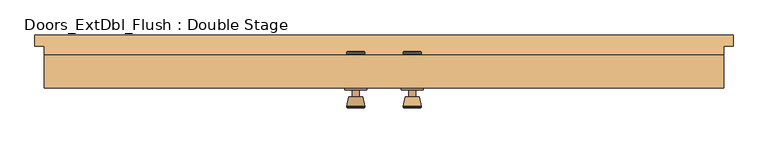
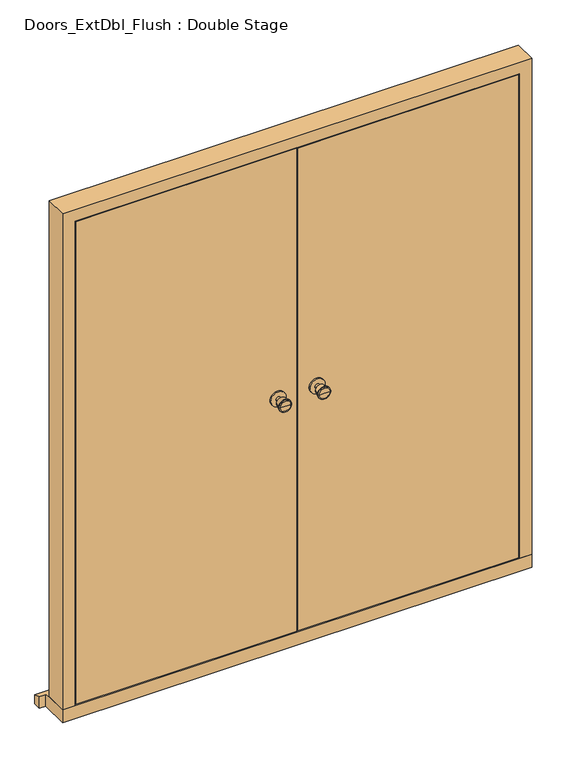
"""IFC4 building model written with IfcOpenShell, lengths in millimetres: door geometry, Doors_ExtDbl_Flush : Double Stage."""

from ifc_helpers import new_model, si_unit, point, frame, frame_2d, origin, place, context, project, spatial, polyline, circle_curve, trimmed, segment, composite_curve, outline, extrude, faceted_brep, source, transform, mapped, element, save
from ifc_brep_helpers import plane_surface, cylinder_surface, revolved_surface, advanced_brep


def doors_extdbl_flush_double_stage_f4ae02fb(model_context):
    return source(origin(), model_context, "Body", "SolidModel", [
        advanced_brep(
        [(-76.5, 46.8, 1050.0), (-66.5, 46.8, 1050.0), (-86.5, 46.8, 1050.0), (-96.9758676, -2.2, 1050.0), (-56.0241324, -2.2, 1050.0), (-76.5, -2.2, 1050.0), (-101.5, -0.3721319, 1050.0), (-51.5, -0.3721319, 1050.0), (-101.5, 3.0915463, 1050.0), (-51.5, 3.0915463, 1050.0), (-95.136236, 27.8, 1050.0), (-57.863764, 27.8, 1050.0), (-86.5, 27.8, 1050.0), (-66.5, 27.8, 1050.0)],
        [
            (0, 1),
            (1, 2, circle_curve(frame((-76.5, 46.8, 1050.0), z_axis=(0.0, 1.0, 0.0), x_axis=(1.0, 0.0, 0.0)), 10.0)),
            (2, 0),
            (2, 1, circle_curve(frame((-76.5, 46.8, 1050.0), z_axis=(0.0, 1.0, 0.0), x_axis=(1.0, 0.0, 0.0)), 10.0)),
            (3, 4, circle_curve(frame((-76.5, -2.2, 1050.0), z_axis=(0.0, -1.0, 0.0), x_axis=(1.0, 0.0, 0.0)), 20.4758676)),
            (4, 5),
            (5, 3),
            (4, 3, circle_curve(frame((-76.5, -2.2, 1050.0), z_axis=(0.0, -1.0, 0.0), x_axis=(1.0, 0.0, 0.0)), 20.4758676)),
            (6, 7, circle_curve(frame((-76.5, -0.3721319, 1050.0), z_axis=(0.0, -1.0, 0.0), x_axis=(1.0, 0.0, 0.0)), 25.0)),
            (7, 4),
            (3, 6),
            (7, 6, circle_curve(frame((-76.5, -0.3721319, 1050.0), z_axis=(0.0, -1.0, 0.0), x_axis=(1.0, 0.0, 0.0)), 25.0)),
            (8, 9, circle_curve(frame((-76.5, 3.0915463, 1050.0), z_axis=(0.0, -1.0, 0.0), x_axis=(1.0, 0.0, 0.0)), 25.0)),
            (9, 7),
            (6, 8),
            (9, 8, circle_curve(frame((-76.5, 3.0915463, 1050.0), z_axis=(0.0, -1.0, 0.0), x_axis=(1.0, 0.0, 0.0)), 25.0)),
            (10, 11, circle_curve(frame((-76.5, 27.8, 1050.0), z_axis=(0.0, -1.0, 0.0), x_axis=(1.0, 0.0, 0.0)), 18.636236)),
            (11, 9),
            (8, 10),
            (11, 10, circle_curve(frame((-76.5, 27.8, 1050.0), z_axis=(0.0, -1.0, 0.0), x_axis=(1.0, 0.0, 0.0)), 18.636236)),
            (12, 13, circle_curve(frame((-76.5, 27.8, 1050.0), z_axis=(0.0, -1.0, 0.0), x_axis=(1.0, 0.0, 0.0)), 10.0)),
            (13, 11),
            (10, 12),
            (13, 12, circle_curve(frame((-76.5, 27.8, 1050.0), z_axis=(0.0, -1.0, 0.0), x_axis=(1.0, 0.0, 0.0)), 10.0)),
            (1, 13),
            (12, 2),
        ],
        [
            plane_surface(frame((-76.5, 46.8, 1050.0), z_axis=(0.0, 1.0, 0.0), x_axis=(1.0, 0.0, 0.0))),
            plane_surface(frame((-76.5, -2.2, 1050.0), z_axis=(0.0, -1.0, 0.0), x_axis=(1.0, 0.0, 0.0))),
            revolved_surface(polyline([(-56.0241324, -2.2, 1050.0), (-51.5, -0.3721319, 1050.0)]), (-76.5, 46.8, 1050.0), (0.0, 1.0, 0.0)),
            cylinder_surface(frame((-76.5, 46.8, 1050.0), z_axis=(0.0, 1.0, 0.0), x_axis=(1.0, 0.0, 0.0)), 25.0),
            revolved_surface(polyline([(-51.5, 3.0915463, 1050.0), (-57.863764, 27.8, 1050.0)]), (-76.5, 46.8, 1050.0), (0.0, 1.0, 0.0)),
            plane_surface(frame((-76.5, 27.8, 1050.0), z_axis=(0.0, 1.0, 0.0), x_axis=(1.0, 0.0, 0.0))),
            cylinder_surface(frame((-76.5, 46.8, 1050.0), z_axis=(0.0, 1.0, 0.0), x_axis=(1.0, 0.0, 0.0)), 10.0),
        ],
        [
            (0, [[1, 2, 3]]),
            (0, [[-3, 4, -1]]),
            (1, [[5, 6, 7]]),
            (1, [[8, -7, -6]]),
            (2, [[9, 10, -5, 11]]),
            (2, [[12, -11, -8, -10]]),
            (3, [[13, 14, -9, 15]]),
            (3, [[16, -15, -12, -14]]),
            (4, [[17, 18, -13, 19]]),
            (4, [[20, -19, -16, -18]]),
            (5, [[21, 22, -17, 23]]),
            (5, [[24, -23, -20, -22]]),
            (6, [[-2, 25, -21, 26]]),
            (6, [[-4, -26, -24, -25]]),
        ],
    ),
        extrude(outline(composite_curve([segment(trimmed(circle_curve(frame_2d((1050.0, -76.5)), 30.0), [point((1050.0, -46.5))], [point((1050.0, -106.5))], False, "CARTESIAN"), True, "CONTINUOUS"), segment(trimmed(circle_curve(frame_2d((1050.0, -76.5)), 30.0), [point((1050.0, -106.5))], [point((1050.0, -46.5))], False, "CARTESIAN"), True, "CONTINUOUS")], self_intersect=False)), frame((0.0, 46.8, 0.0), z_axis=(0.0, 1.0, 0.0), x_axis=(0.0, 0.0, 1.0)), (0.0, 0.0, 1.0), 6.0),
        advanced_brep(
        [(-76.5, 102.8, 1050.0), (-86.5, 102.8, 1050.0), (-66.5, 102.8, 1050.0), (-96.9758676, 151.8, 1050.0), (-76.5, 151.8, 1050.0), (-56.0241324, 151.8, 1050.0), (-101.5, 149.9721319, 1050.0), (-51.5, 149.9721319, 1050.0), (-101.5, 146.5084537, 1050.0), (-51.5, 146.5084537, 1050.0), (-95.136236, 121.8, 1050.0), (-57.863764, 121.8, 1050.0), (-86.5, 121.8, 1050.0), (-66.5, 121.8, 1050.0)],
        [
            (0, 1),
            (1, 2, circle_curve(frame((-76.5, 102.8, 1050.0), z_axis=(0.0, -1.0, 0.0), x_axis=(1.0, 0.0, 0.0)), 10.0)),
            (2, 0),
            (2, 1, circle_curve(frame((-76.5, 102.8, 1050.0), z_axis=(0.0, -1.0, 0.0), x_axis=(1.0, 0.0, 0.0)), 10.0)),
            (3, 4),
            (4, 5),
            (5, 3, circle_curve(frame((-76.5, 151.8, 1050.0), z_axis=(0.0, 1.0, 0.0), x_axis=(1.0, 0.0, 0.0)), 20.4758676)),
            (3, 5, circle_curve(frame((-76.5, 151.8, 1050.0), z_axis=(0.0, 1.0, 0.0), x_axis=(1.0, 0.0, 0.0)), 20.4758676)),
            (6, 3),
            (5, 7),
            (7, 6, circle_curve(frame((-76.5, 149.9721319, 1050.0), z_axis=(0.0, 1.0, 0.0), x_axis=(1.0, 0.0, 0.0)), 25.0)),
            (6, 7, circle_curve(frame((-76.5, 149.9721319, 1050.0), z_axis=(0.0, 1.0, 0.0), x_axis=(1.0, 0.0, 0.0)), 25.0)),
            (8, 6),
            (7, 9),
            (9, 8, circle_curve(frame((-76.5, 146.5084537, 1050.0), z_axis=(0.0, 1.0, 0.0), x_axis=(1.0, 0.0, 0.0)), 25.0)),
            (8, 9, circle_curve(frame((-76.5, 146.5084537, 1050.0), z_axis=(0.0, 1.0, 0.0), x_axis=(1.0, 0.0, 0.0)), 25.0)),
            (10, 8),
            (9, 11),
            (11, 10, circle_curve(frame((-76.5, 121.8, 1050.0), z_axis=(0.0, 1.0, 0.0), x_axis=(1.0, 0.0, 0.0)), 18.636236)),
            (10, 11, circle_curve(frame((-76.5, 121.8, 1050.0), z_axis=(0.0, 1.0, 0.0), x_axis=(1.0, 0.0, 0.0)), 18.636236)),
            (12, 10),
            (11, 13),
            (13, 12, circle_curve(frame((-76.5, 121.8, 1050.0), z_axis=(0.0, 1.0, 0.0), x_axis=(1.0, 0.0, 0.0)), 10.0)),
            (12, 13, circle_curve(frame((-76.5, 121.8, 1050.0), z_axis=(0.0, 1.0, 0.0), x_axis=(1.0, 0.0, 0.0)), 10.0)),
            (1, 12),
            (13, 2),
        ],
        [
            plane_surface(frame((-76.5, 102.8, 1050.0), z_axis=(0.0, -1.0, 0.0), x_axis=(1.0, 0.0, 0.0))),
            plane_surface(frame((-76.5, 151.8, 1050.0), z_axis=(0.0, 1.0, 0.0), x_axis=(1.0, 0.0, 0.0))),
            revolved_surface(polyline([(-56.0241324, 151.8, 1050.0), (-51.5, 149.9721319, 1050.0)]), (-76.5, 102.8, 1050.0), (0.0, -1.0, 0.0)),
            cylinder_surface(frame((-76.5, 102.8, 1050.0), z_axis=(0.0, -1.0, 0.0), x_axis=(1.0, 0.0, 0.0)), 25.0),
            revolved_surface(polyline([(-51.5, 146.5084537, 1050.0), (-57.863764, 121.8, 1050.0)]), (-76.5, 102.8, 1050.0), (0.0, -1.0, 0.0)),
            plane_surface(frame((-76.5, 121.8, 1050.0), z_axis=(0.0, -1.0, 0.0), x_axis=(1.0, 0.0, 0.0))),
            cylinder_surface(frame((-76.5, 102.8, 1050.0), z_axis=(0.0, -1.0, 0.0), x_axis=(1.0, 0.0, 0.0)), 10.0),
        ],
        [
            (0, [[1, 2, 3]]),
            (0, [[-3, 4, -1]]),
            (1, [[5, 6, 7]]),
            (1, [[-6, -5, 8]]),
            (2, [[9, -7, 10, 11]]),
            (2, [[-10, -8, -9, 12]]),
            (3, [[13, -11, 14, 15]]),
            (3, [[-14, -12, -13, 16]]),
            (4, [[17, -15, 18, 19]]),
            (4, [[-18, -16, -17, 20]]),
            (5, [[21, -19, 22, 23]]),
            (5, [[-22, -20, -21, 24]]),
            (6, [[25, -23, 26, -2]]),
            (6, [[-26, -24, -25, -4]]),
        ],
    ),
        extrude(outline(composite_curve([segment(trimmed(circle_curve(frame_2d((1050.0, -76.5)), 30.0), [point((1050.0, -46.5))], [point((1050.0, -106.5))], False, "CARTESIAN"), True, "CONTINUOUS"), segment(trimmed(circle_curve(frame_2d((1050.0, -76.5)), 30.0), [point((1050.0, -106.5))], [point((1050.0, -46.5))], False, "CARTESIAN"), True, "CONTINUOUS")], self_intersect=False)), frame((0.0, 96.8, 0.0), z_axis=(0.0, 1.0, 0.0), x_axis=(0.0, 0.0, 1.0)), (0.0, 0.0, 1.0), 6.0),
        advanced_brep(
        [(76.5, 46.8, 1050.0), (86.5, 46.8, 1050.0), (66.5, 46.8, 1050.0), (96.9758676, -2.2, 1050.0), (76.5, -2.2, 1050.0), (56.0241324, -2.2, 1050.0), (101.5, -0.3721319, 1050.0), (51.5, -0.3721319, 1050.0), (101.5, 3.0915463, 1050.0), (51.5, 3.0915463, 1050.0), (95.136236, 27.8, 1050.0), (57.863764, 27.8, 1050.0), (86.5, 27.8, 1050.0), (66.5, 27.8, 1050.0)],
        [
            (0, 1),
            (1, 2, circle_curve(frame((76.5, 46.8, 1050.0), z_axis=(0.0, 1.0, 0.0), x_axis=(-1.0, 0.0, 0.0)), 10.0)),
            (2, 0),
            (2, 1, circle_curve(frame((76.5, 46.8, 1050.0), z_axis=(0.0, 1.0, 0.0), x_axis=(-1.0, 0.0, 0.0)), 10.0)),
            (3, 4),
            (4, 5),
            (5, 3, circle_curve(frame((76.5, -2.2, 1050.0), z_axis=(0.0, -1.0, 0.0), x_axis=(-1.0, 0.0, 0.0)), 20.4758676)),
            (3, 5, circle_curve(frame((76.5, -2.2, 1050.0), z_axis=(0.0, -1.0, 0.0), x_axis=(-1.0, 0.0, 0.0)), 20.4758676)),
            (6, 3),
            (5, 7),
            (7, 6, circle_curve(frame((76.5, -0.3721319, 1050.0), z_axis=(0.0, -1.0, 0.0), x_axis=(-1.0, 0.0, 0.0)), 25.0)),
            (6, 7, circle_curve(frame((76.5, -0.3721319, 1050.0), z_axis=(0.0, -1.0, 0.0), x_axis=(-1.0, 0.0, 0.0)), 25.0)),
            (8, 6),
            (7, 9),
            (9, 8, circle_curve(frame((76.5, 3.0915463, 1050.0), z_axis=(0.0, -1.0, 0.0), x_axis=(-1.0, 0.0, 0.0)), 25.0)),
            (8, 9, circle_curve(frame((76.5, 3.0915463, 1050.0), z_axis=(0.0, -1.0, 0.0), x_axis=(-1.0, 0.0, 0.0)), 25.0)),
            (10, 8),
            (9, 11),
            (11, 10, circle_curve(frame((76.5, 27.8, 1050.0), z_axis=(0.0, -1.0, 0.0), x_axis=(-1.0, 0.0, 0.0)), 18.636236)),
            (10, 11, circle_curve(frame((76.5, 27.8, 1050.0), z_axis=(0.0, -1.0, 0.0), x_axis=(-1.0, 0.0, 0.0)), 18.636236)),
            (12, 10),
            (11, 13),
            (13, 12, circle_curve(frame((76.5, 27.8, 1050.0), z_axis=(0.0, -1.0, 0.0), x_axis=(-1.0, 0.0, 0.0)), 10.0)),
            (12, 13, circle_curve(frame((76.5, 27.8, 1050.0), z_axis=(0.0, -1.0, 0.0), x_axis=(-1.0, 0.0, 0.0)), 10.0)),
            (1, 12),
            (13, 2),
        ],
        [
            plane_surface(frame((76.5, 46.8, 1050.0), z_axis=(0.0, 1.0, 0.0), x_axis=(-1.0, 0.0, 0.0))),
            plane_surface(frame((76.5, -2.2, 1050.0), z_axis=(0.0, -1.0, 0.0), x_axis=(-1.0, 0.0, 0.0))),
            revolved_surface(polyline([(56.0241324, -2.2, 1050.0), (51.5, -0.3721319, 1050.0)]), (76.5, 46.8, 1050.0), (0.0, 1.0, 0.0)),
            cylinder_surface(frame((76.5, 46.8, 1050.0), z_axis=(0.0, 1.0, 0.0), x_axis=(-1.0, 0.0, 0.0)), 25.0),
            revolved_surface(polyline([(51.5, 3.0915463, 1050.0), (57.863764, 27.8, 1050.0)]), (76.5, 46.8, 1050.0), (0.0, 1.0, 0.0)),
            plane_surface(frame((76.5, 27.8, 1050.0), z_axis=(0.0, 1.0, 0.0), x_axis=(-1.0, 0.0, 0.0))),
            cylinder_surface(frame((76.5, 46.8, 1050.0), z_axis=(0.0, 1.0, 0.0), x_axis=(-1.0, 0.0, 0.0)), 10.0),
        ],
        [
            (0, [[1, 2, 3]]),
            (0, [[-3, 4, -1]]),
            (1, [[5, 6, 7]]),
            (1, [[-6, -5, 8]]),
            (2, [[9, -7, 10, 11]]),
            (2, [[-10, -8, -9, 12]]),
            (3, [[13, -11, 14, 15]]),
            (3, [[-14, -12, -13, 16]]),
            (4, [[17, -15, 18, 19]]),
            (4, [[-18, -16, -17, 20]]),
            (5, [[21, -19, 22, 23]]),
            (5, [[-22, -20, -21, 24]]),
            (6, [[25, -23, 26, -2]]),
            (6, [[-26, -24, -25, -4]]),
        ],
    ),
        extrude(outline(composite_curve([segment(trimmed(circle_curve(frame_2d((1050.0, 76.5)), 30.0), [point((1050.0, 46.5))], [point((1050.0, 106.5))], False, "CARTESIAN"), True, "CONTINUOUS"), segment(trimmed(circle_curve(frame_2d((1050.0, 76.5)), 30.0), [point((1050.0, 106.5))], [point((1050.0, 46.5))], False, "CARTESIAN"), True, "CONTINUOUS")], self_intersect=False)), frame((0.0, 46.8, 0.0), z_axis=(0.0, 1.0, 0.0), x_axis=(0.0, 0.0, 1.0)), (0.0, 0.0, 1.0), 6.0),
        advanced_brep(
        [(76.5, 102.8, 1050.0), (66.5, 102.8, 1050.0), (86.5, 102.8, 1050.0), (96.9758676, 151.8, 1050.0), (56.0241324, 151.8, 1050.0), (76.5, 151.8, 1050.0), (101.5, 149.9721319, 1050.0), (51.5, 149.9721319, 1050.0), (101.5, 146.5084537, 1050.0), (51.5, 146.5084537, 1050.0), (95.136236, 121.8, 1050.0), (57.863764, 121.8, 1050.0), (86.5, 121.8, 1050.0), (66.5, 121.8, 1050.0)],
        [
            (0, 1),
            (1, 2, circle_curve(frame((76.5, 102.8, 1050.0), z_axis=(0.0, -1.0, 0.0), x_axis=(-1.0, 0.0, 0.0)), 10.0)),
            (2, 0),
            (2, 1, circle_curve(frame((76.5, 102.8, 1050.0), z_axis=(0.0, -1.0, 0.0), x_axis=(-1.0, 0.0, 0.0)), 10.0)),
            (3, 4, circle_curve(frame((76.5, 151.8, 1050.0), z_axis=(0.0, 1.0, 0.0), x_axis=(-1.0, 0.0, 0.0)), 20.4758676)),
            (4, 5),
            (5, 3),
            (4, 3, circle_curve(frame((76.5, 151.8, 1050.0), z_axis=(0.0, 1.0, 0.0), x_axis=(-1.0, 0.0, 0.0)), 20.4758676)),
            (6, 7, circle_curve(frame((76.5, 149.9721319, 1050.0), z_axis=(0.0, 1.0, 0.0), x_axis=(-1.0, 0.0, 0.0)), 25.0)),
            (7, 4),
            (3, 6),
            (7, 6, circle_curve(frame((76.5, 149.9721319, 1050.0), z_axis=(0.0, 1.0, 0.0), x_axis=(-1.0, 0.0, 0.0)), 25.0)),
            (8, 9, circle_curve(frame((76.5, 146.5084537, 1050.0), z_axis=(0.0, 1.0, 0.0), x_axis=(-1.0, 0.0, 0.0)), 25.0)),
            (9, 7),
            (6, 8),
            (9, 8, circle_curve(frame((76.5, 146.5084537, 1050.0), z_axis=(0.0, 1.0, 0.0), x_axis=(-1.0, 0.0, 0.0)), 25.0)),
            (10, 11, circle_curve(frame((76.5, 121.8, 1050.0), z_axis=(0.0, 1.0, 0.0), x_axis=(-1.0, 0.0, 0.0)), 18.636236)),
            (11, 9),
            (8, 10),
            (11, 10, circle_curve(frame((76.5, 121.8, 1050.0), z_axis=(0.0, 1.0, 0.0), x_axis=(-1.0, 0.0, 0.0)), 18.636236)),
            (12, 13, circle_curve(frame((76.5, 121.8, 1050.0), z_axis=(0.0, 1.0, 0.0), x_axis=(-1.0, 0.0, 0.0)), 10.0)),
            (13, 11),
            (10, 12),
            (13, 12, circle_curve(frame((76.5, 121.8, 1050.0), z_axis=(0.0, 1.0, 0.0), x_axis=(-1.0, 0.0, 0.0)), 10.0)),
            (1, 13),
            (12, 2),
        ],
        [
            plane_surface(frame((76.5, 102.8, 1050.0), z_axis=(0.0, -1.0, 0.0), x_axis=(-1.0, 0.0, 0.0))),
            plane_surface(frame((76.5, 151.8, 1050.0), z_axis=(0.0, 1.0, 0.0), x_axis=(-1.0, 0.0, 0.0))),
            revolved_surface(polyline([(56.0241324, 151.8, 1050.0), (51.5, 149.9721319, 1050.0)]), (76.5, 102.8, 1050.0), (0.0, -1.0, 0.0)),
            cylinder_surface(frame((76.5, 102.8, 1050.0), z_axis=(0.0, -1.0, 0.0), x_axis=(-1.0, 0.0, 0.0)), 25.0),
            revolved_surface(polyline([(51.5, 146.5084537, 1050.0), (57.863764, 121.8, 1050.0)]), (76.5, 102.8, 1050.0), (0.0, -1.0, 0.0)),
            plane_surface(frame((76.5, 121.8, 1050.0), z_axis=(0.0, -1.0, 0.0), x_axis=(-1.0, 0.0, 0.0))),
            cylinder_surface(frame((76.5, 102.8, 1050.0), z_axis=(0.0, -1.0, 0.0), x_axis=(-1.0, 0.0, 0.0)), 10.0),
        ],
        [
            (0, [[1, 2, 3]]),
            (0, [[-3, 4, -1]]),
            (1, [[5, 6, 7]]),
            (1, [[8, -7, -6]]),
            (2, [[9, 10, -5, 11]]),
            (2, [[12, -11, -8, -10]]),
            (3, [[13, 14, -9, 15]]),
            (3, [[16, -15, -12, -14]]),
            (4, [[17, 18, -13, 19]]),
            (4, [[20, -19, -16, -18]]),
            (5, [[21, 22, -17, 23]]),
            (5, [[24, -23, -20, -22]]),
            (6, [[-2, 25, -21, 26]]),
            (6, [[-4, -26, -24, -25]]),
        ],
    ),
        extrude(outline(composite_curve([segment(trimmed(circle_curve(frame_2d((1050.0, 76.5)), 30.0), [point((1050.0, 46.5))], [point((1050.0, 106.5))], False, "CARTESIAN"), True, "CONTINUOUS"), segment(trimmed(circle_curve(frame_2d((1050.0, 76.5)), 30.0), [point((1050.0, 106.5))], [point((1050.0, 46.5))], False, "CARTESIAN"), True, "CONTINUOUS")], self_intersect=False)), frame((0.0, 96.8, 0.0), z_axis=(0.0, 1.0, 0.0), x_axis=(0.0, 0.0, 1.0)), (0.0, 0.0, 1.0), 6.0),
        faceted_brep([(849.5, 141.8, 54.5), (920.0, 141.8, 54.5), (920.0, 52.8, 54.5), (871.5, 52.8, 54.5), (871.5, 99.8, 54.5), (849.5, 99.8, 54.5), (849.5, 141.8, 2039.5), (-849.5, 141.8, 2039.5), (-849.5, 141.8, 54.5), (-920.0, 141.8, 54.5), (-920.0, 141.8, 2110.0), (920.0, 141.8, 2110.0), (920.0, 52.8, 2110.0), (-920.0, 52.8, 2110.0), (-920.0, 52.8, 54.5), (-871.5, 52.8, 54.5), (-871.5, 52.8, 2061.5), (871.5, 52.8, 2061.5), (871.5, 99.8, 2061.5), (-871.5, 99.8, 2061.5), (-871.5, 99.8, 54.5), (-849.5, 99.8, 54.5), (-849.5, 99.8, 2039.5), (849.5, 99.8, 2039.5)], [[[0, 1, 2, 3, 4, 5]], [[1, 0, 6, 7, 8, 9, 10, 11]], [[2, 1, 11, 12]], [[3, 2, 12, 13, 14, 15, 16, 17]], [[4, 3, 17, 18]], [[5, 4, 18, 19, 20, 21, 22, 23]], [[0, 5, 23, 6]], [[7, 22, 21, 8]], [[8, 21, 20, 15, 14, 9]], [[13, 10, 9, 14]], [[19, 16, 15, 20]], [[12, 11, 10, 13]], [[18, 17, 16, 19]], [[6, 23, 22, 7]]]),
        faceted_brep([(945.0, 196.8, 0.0), (945.0, 196.8, 38.5947221), (945.0, 166.8, 47.2703282), (945.0, 166.8, 0.0), (-945.0, 196.8, 38.5947221), (-945.0, 196.8, 0.0), (-945.0, 166.8, 0.0), (-945.0, 166.8, 47.2703282), (920.0, 166.8, 0.0), (920.0, 52.8, 0.0), (-920.0, 52.8, 0.0), (-920.0, 166.8, 0.0), (-920.0, 166.8, 47.2703282), (-920.0, 141.8, 54.5), (920.0, 141.8, 54.5), (920.0, 166.8, 47.2703282), (-920.0, 52.8, 54.5), (920.0, 52.8, 54.5)], [[[0, 1, 2, 3]], [[4, 5, 6, 7]], [[5, 0, 3, 8, 9, 10, 11, 6]], [[1, 0, 5, 4]], [[1, 4, 7, 12, 13, 14, 15, 2]], [[13, 16, 17, 14]], [[16, 10, 9, 17]], [[12, 11, 10, 16, 13]], [[11, 12, 7, 6]], [[8, 15, 14, 17, 9]], [[15, 8, 3, 2]]]),
        extrude(outline(polyline([(868.5, 52.8), (1.5, 52.8), (1.5, 96.8), (868.5, 96.8), (868.5, 52.8)])), frame((0.0, 0.0, 58.5), z_axis=(0.0, 0.0, 1.0), x_axis=(1.0, 0.0, 0.0)), (0.0, 0.0, 1.0), 2000.0),
        extrude(outline(polyline([(-1.5, 52.8), (-868.5, 52.8), (-868.5, 96.8), (-1.5, 96.8), (-1.5, 52.8)])), frame((0.0, 0.0, 58.5), z_axis=(0.0, 0.0, 1.0), x_axis=(1.0, 0.0, 0.0)), (0.0, 0.0, 1.0), 2000.0),
    ])


if __name__ == "__main__":
    model = new_model("IFC4")
    model_context = context("Model", 3, world=origin())
    ifc_project = project(units=[si_unit("LENGTHUNIT", "METRE", prefix="MILLI")], contexts=[model_context])
    site = spatial("IfcSite", under=ifc_project)
    building = spatial("IfcBuilding", under=site)
    placement = place(None, origin())
    doors_extdbl_flush_double_stage_shape = doors_extdbl_flush_double_stage_f4ae02fb(model_context)
    element("IfcDoor", 1, ObjectType="Doors_ExtDbl_Flush : Double Stage", at=placement, inside=building, context=model_context, shape_type="MappedRepresentation", body=[
        mapped(doors_extdbl_flush_double_stage_shape, transform((0.0, 0.0, 0.0), x_axis=(1.0, 0.0, 0.0), y_axis=(0.0, 1.0, 0.0), z_axis=(0.0, 0.0, 1.0))),
    ])
    save(model, "model.ifc")
